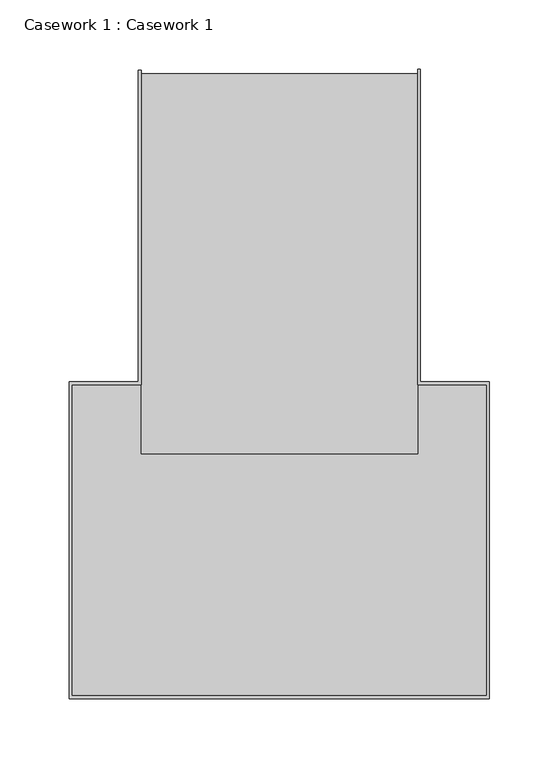
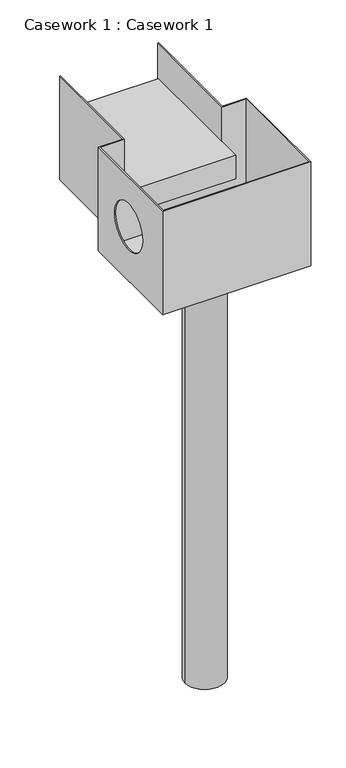
"""IFC4 building model written with IfcOpenShell, lengths in millimetres: furniture geometry, Casework 1 : Casework 1."""

from ifc_helpers import new_model, si_unit, point, frame, frame_2d, origin, place, context, project, spatial, polyline, circle_curve, trimmed, segment, composite_curve, outline, extrude, source, transform, mapped, element, save
from ifc_brep_helpers import plane_surface, revolved_surface, advanced_brep


def casework_1_casework_1_7dbaba77(model_context):
    return source(origin(), model_context, "Body", "SolidModel", [
        extrude(outline(polyline([(18264.1783812, 858.829227), (18264.1783812, 583.9199174), (18064.1783812, 583.9199174), (18064.1783812, 858.829227), (18264.1783812, 858.829227)])), frame((0.0, 0.0, 2415.0), z_axis=(0.0, 0.0, 1.0), x_axis=(1.0, 0.0, 0.0)), (0.0, 0.0, 1.0), 50.0),
        advanced_brep(
        [(18314.1783812, 408.9199174, 2540.0), (18014.1783812, 408.9199174, 2540.0), (18014.1783812, 633.9199174, 2540.0), (18064.1783812, 633.9199174, 2540.0), (18064.1783812, 715.1827654, 2540.0), (18064.1783812, 861.187568, 2540.0), (18062.1783812, 861.187568, 2540.0), (18062.1783812, 635.9199174, 2540.0), (18012.1783812, 635.9199174, 2540.0), (18012.1783812, 406.9199174, 2540.0), (18316.1783812, 406.9199174, 2540.0), (18316.1783812, 635.9199174, 2540.0), (18266.1783812, 635.9199174, 2540.0), (18266.1783812, 862.1309044, 2540.0), (18264.1783812, 862.1309044, 2540.0), (18264.1783812, 715.1827654, 2540.0), (18264.1783812, 633.9199174, 2540.0), (18314.1783812, 633.9199174, 2540.0), (18314.1783812, 408.9199174, 2315.0), (18314.1783812, 633.9199174, 2315.0), (18264.1783812, 633.9199174, 2315.0), (18264.1783812, 862.1309044, 2315.0), (18266.1783812, 862.1309044, 2315.0), (18266.1783812, 635.9199174, 2315.0), (18316.1783812, 635.9199174, 2315.0), (18316.1783812, 406.9199174, 2315.0), (18012.1783812, 406.9199174, 2315.0), (18012.1783812, 635.9199174, 2315.0), (18062.1783812, 635.9199174, 2315.0), (18062.1783812, 861.187568, 2315.0), (18064.1783812, 861.187568, 2315.0), (18064.1783812, 633.9199174, 2315.0), (18014.1783812, 633.9199174, 2315.0), (18014.1783812, 408.9199174, 2315.0), (18014.1783812, 478.8418776, 2432.0059237), (18014.1783812, 578.8418776, 2432.0059237), (18064.1783812, 633.9199174, 2320.0), (18264.1783812, 633.9199174, 2320.0), (18264.1783812, 633.9199174, 2415.0), (18064.1783812, 633.9199174, 2415.0), (18064.1783812, 650.944338, 2415.0), (18064.1783812, 650.944338, 2320.0), (18012.1783812, 578.8418776, 2432.0059237), (18012.1783812, 478.8418776, 2432.0059237), (18264.1783812, 650.944338, 2320.0), (18264.1783812, 650.944338, 2415.0)],
        [
            (0, 1),
            (1, 2),
            (2, 3),
            (3, 4),
            (4, 5),
            (5, 6),
            (6, 7),
            (7, 8),
            (8, 9),
            (9, 10),
            (10, 11),
            (11, 12),
            (12, 13),
            (13, 14),
            (14, 15),
            (15, 16),
            (16, 17),
            (17, 0),
            (18, 19),
            (19, 20),
            (20, 21),
            (21, 22),
            (22, 23),
            (23, 24),
            (24, 25),
            (25, 26),
            (26, 27),
            (27, 28),
            (28, 29),
            (29, 30),
            (30, 31),
            (31, 32),
            (32, 33),
            (33, 18),
            (0, 18),
            (33, 1),
            (32, 2),
            (34, 35, circle_curve(frame((18014.1783812, 528.8418776, 2432.0059237), z_axis=(-1.0, 0.0, 0.0), x_axis=(0.0, -1.0, 0.0)), 50.0)),
            (35, 34, circle_curve(frame((18014.1783812, 528.8418776, 2432.0059237), z_axis=(-1.0, 0.0, 0.0), x_axis=(0.0, -1.0, 0.0)), 50.0)),
            (31, 36),
            (36, 37),
            (37, 20),
            (19, 17),
            (16, 38),
            (38, 39),
            (39, 3),
            (30, 5),
            (39, 40),
            (40, 41),
            (41, 36),
            (7, 28),
            (27, 8),
            (26, 9),
            (42, 43, circle_curve(frame((18012.1783812, 528.8418776, 2432.0059237), z_axis=(1.0, 0.0, 0.0), x_axis=(0.0, -1.0, 0.0)), 50.0)),
            (43, 42, circle_curve(frame((18012.1783812, 528.8418776, 2432.0059237), z_axis=(1.0, 0.0, 0.0), x_axis=(0.0, -1.0, 0.0)), 50.0)),
            (25, 10),
            (24, 11),
            (23, 12),
            (29, 6),
            (22, 13),
            (21, 14),
            (37, 44),
            (44, 45),
            (45, 38),
            (42, 35),
            (34, 43),
            (44, 41),
            (40, 45),
        ],
        [
            plane_surface(frame((18314.1783812, 408.9199174, 2540.0), z_axis=(0.0, 0.0, 1.0), x_axis=(-1.0, 0.0, 0.0))),
            plane_surface(frame((18314.1783812, 408.9199174, 2315.0), z_axis=(0.0, 0.0, -1.0), x_axis=(1.0, 0.0, 0.0))),
            plane_surface(frame((18314.1783812, 408.9199174, 2540.0), z_axis=(0.0, 1.0, 0.0), x_axis=(0.0, 0.0, -1.0))),
            plane_surface(frame((18014.1783812, 408.9199174, 2540.0), z_axis=(1.0, 0.0, 0.0), x_axis=(0.0, 0.0, -1.0))),
            plane_surface(frame((18014.1783812, 633.9199174, 2540.0), z_axis=(0.0, -1.0, 0.0), x_axis=(0.0, 0.0, -1.0))),
            plane_surface(frame((18064.1783812, 633.9199174, 2540.0), z_axis=(1.0, 0.0, 0.0), x_axis=(0.0, 0.0, -1.0))),
            plane_surface(frame((18062.1783812, 635.9199174, 2540.0), z_axis=(0.0, 1.0, 0.0), x_axis=(0.0, 0.0, -1.0))),
            plane_surface(frame((18012.1783812, 635.9199174, 2540.0), z_axis=(-1.0, 0.0, 0.0), x_axis=(0.0, 0.0, -1.0))),
            plane_surface(frame((18012.1783812, 406.9199174, 2540.0), z_axis=(0.0, -1.0, 0.0), x_axis=(0.0, 0.0, -1.0))),
            plane_surface(frame((18316.1783812, 406.9199174, 2540.0), z_axis=(1.0, 0.0, 0.0), x_axis=(0.0, 0.0, -1.0))),
            plane_surface(frame((18316.1783812, 635.9199174, 2540.0), z_axis=(0.0, 1.0, 0.0), x_axis=(0.0, 0.0, -1.0))),
            plane_surface(frame((18314.1783812, 633.9199174, 2540.0), z_axis=(-1.0, 0.0, 0.0), x_axis=(0.0, 0.0, -1.0))),
            plane_surface(frame((18064.1783812, 861.187568, 2540.0), z_axis=(0.0, 1.0, 0.0), x_axis=(0.0, 0.0, -1.0))),
            plane_surface(frame((18062.1783812, 861.187568, 2540.0), z_axis=(-1.0, 0.0, 0.0), x_axis=(0.0, 0.0, -1.0))),
            plane_surface(frame((18266.1783812, 635.9199174, 2540.0), z_axis=(1.0, 0.0, 0.0), x_axis=(0.0, 0.0, -1.0))),
            plane_surface(frame((18266.1783812, 862.1309044, 2540.0), z_axis=(0.0, 1.0, 0.0), x_axis=(0.0, 0.0, -1.0))),
            plane_surface(frame((18264.1783812, 862.1309044, 2540.0), z_axis=(-1.0, 0.0, 0.0), x_axis=(0.0, 0.0, -1.0))),
            revolved_surface(polyline([(18014.1783812, 478.8418776, 2432.0059237), (18012.1783812, 478.8418776, 2432.0059237)]), (17997.0805921, 528.8418776, 2432.0059237), (1.0, 0.0, 0.0)),
            plane_surface(frame((18264.1783812, 650.944338, 2415.0), z_axis=(0.0, 1.0, 0.0), x_axis=(0.0, 0.0, -1.0))),
            plane_surface(frame((18264.1783812, 633.9199174, 2415.0), z_axis=(0.0, 0.0, 1.0), x_axis=(0.0, 1.0, 0.0))),
            plane_surface(frame((18064.1783812, 633.9199174, 2320.0), z_axis=(0.0, 0.0, -1.0), x_axis=(0.0, 1.0, 0.0))),
        ],
        [
            (0, [[1, 2, 3, 4, 5, 6, 7, 8, 9, 10, 11, 12, 13, 14, 15, 16, 17, 18]]),
            (1, [[19, 20, 21, 22, 23, 24, 25, 26, 27, 28, 29, 30, 31, 32, 33, 34]]),
            (2, [[-1, 35, -34, 36]]),
            (3, [[-2, -36, -33, 37], [38, 39]]),
            (4, [[-3, -37, -32, 40, 41, 42, -20, 43, -17, 44, 45, 46]]),
            (5, [[-31, 47, -5, -4, -46, 48, 49, 50, -40]]),
            (6, [[-8, 51, -28, 52]]),
            (7, [[-9, -52, -27, 53], [54, 55]]),
            (8, [[-10, -53, -26, 56]]),
            (9, [[-11, -56, -25, 57]]),
            (10, [[-12, -57, -24, 58]]),
            (11, [[-18, -43, -19, -35]]),
            (12, [[-6, -47, -30, 59]]),
            (13, [[-7, -59, -29, -51]]),
            (14, [[-13, -58, -23, 60]]),
            (15, [[-14, -60, -22, 61]]),
            (16, [[-21, -42, 62, 63, 64, -44, -16, -15, -61]]),
            (17, [[65, -38, 66, -54]]),
            (17, [[-65, -55, -66, -39]]),
            (18, [[67, -49, 68, -63]]),
            (19, [[-45, -64, -68, -48]]),
            (20, [[-41, -50, -67, -62]]),
        ],
    ),
        extrude(outline(composite_curve([segment(trimmed(circle_curve(frame_2d((18164.1783812, 521.4199174)), 40.0), [point((18124.1783812, 521.4199174))], [point((18204.1783812, 521.4199174))], False, "CARTESIAN"), True, "CONTINUOUS"), segment(trimmed(circle_curve(frame_2d((18164.1783812, 521.4199174)), 40.0), [point((18204.1783812, 521.4199174))], [point((18124.1783812, 521.4199174))], False, "CARTESIAN"), True, "CONTINUOUS")], self_intersect=False)), frame((0.0, 0.0, 1406.0237795), z_axis=(0.0, 0.0, 1.0), x_axis=(1.0, 0.0, 0.0)), (0.0, 0.0, 1.0), 908.9762205),
        extrude(outline(polyline([(18314.1783812, 633.9199174), (18314.1783812, 408.9199174), (18014.1783812, 408.9199174), (18014.1783812, 633.9199174), (18064.1783812, 633.9199174), (18064.1783812, 668.9199174), (18264.1783812, 668.9199174), (18264.1783812, 633.9199174), (18314.1783812, 633.9199174)])), frame((0.0, 0.0, 2315.0), z_axis=(0.0, 0.0, 1.0), x_axis=(1.0, 0.0, 0.0)), (0.0, 0.0, 1.0), 5.0),
    ])


if __name__ == "__main__":
    model = new_model("IFC4")
    model_context = context("Model", 3, world=origin())
    ifc_project = project(units=[si_unit("LENGTHUNIT", "METRE", prefix="MILLI")], contexts=[model_context])
    site = spatial("IfcSite", under=ifc_project)
    building = spatial("IfcBuilding", under=site)
    placement = place(None, origin())
    casework_1_casework_1_shape = casework_1_casework_1_7dbaba77(model_context)
    element("IfcFurniture", 1, ObjectType="Casework 1 : Casework 1", at=placement, inside=building, context=model_context, shape_type="MappedRepresentation", body=[
        mapped(casework_1_casework_1_shape, transform((0.0, 0.0, 0.0), x_axis=(1.0, 0.0, 0.0), y_axis=(0.0, 1.0, 0.0), z_axis=(0.0, 0.0, 1.0))),
    ])
    save(model, "model.ifc")
